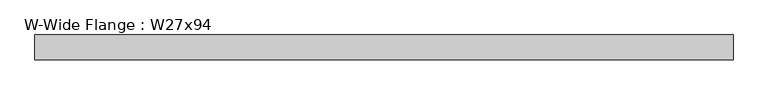
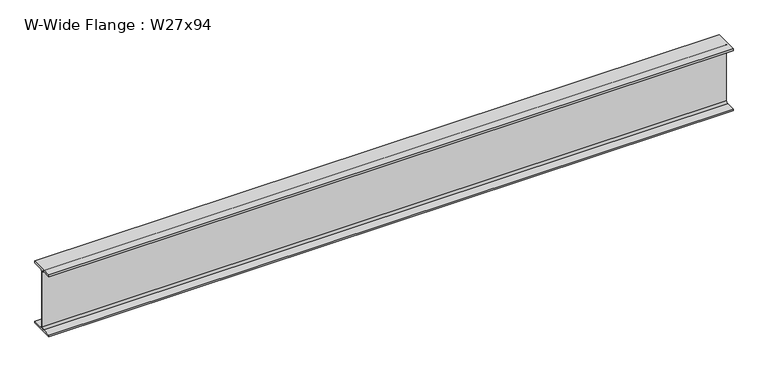
"""IFC4 building model written with IfcOpenShell, lengths in millimetres: beam geometry, W-Wide Flange : W27x94."""

import ifcopenshell
import ifcopenshell.guid

model = None  # the IFC model being written
_history = None  # IfcOwnerHistory: only IFC2X3 demands one
_inside = {}  # id of a spatial element -> (the spatial element, [elements in it])
_under = {}  # id of a project, library or spatial element -> (it, [spatial elements below it])
_declared = {}  # id of a project -> (the project, [libraries it declares])
_typed = {}  # id of a type object -> (the type object, [elements of that type])
_made_of = {}  # id of a material, layer set ... -> (it, [elements and type objects made of it])


def new_model(schema):
    """Start an empty IFC model of exactly this schema.

    Asked for "IFC4X3", IfcOpenShell would pick the latest addendum, in which some entities
    have other attributes; the version numbers below select the first issue.
    IFC2X3 requires an IfcOwnerHistory on every rooted entity: one is made here for all.
    """
    global model, _history
    if schema == "IFC4X3":
        model = ifcopenshell.file(schema_version=(4, 3, 0, 0))
    else:
        model = ifcopenshell.file(schema=schema)
    _inside.clear()
    _under.clear()
    _declared.clear()
    _typed.clear()
    _made_of.clear()
    _history = None
    if model.schema == "IFC2X3":
        org = make("IfcOrganization", Name="unknown")
        user = make(
            "IfcPersonAndOrganization",
            ThePerson=make("IfcPerson", FamilyName="unknown"),
            TheOrganization=org,
        )
        app = make(
            "IfcApplication",
            ApplicationDeveloper=org,
            Version="unknown",
            ApplicationFullName="unknown",
            ApplicationIdentifier="unknown",
        )
        _history = make(
            "IfcOwnerHistory",
            OwningUser=user,
            OwningApplication=app,
            ChangeAction="ADDED",
            CreationDate=0,
        )
    return model


def make(cls, **values):
    """One entity of the class cls with the attributes given. An attribute that is None is left unset."""
    return model.create_entity(
        cls, **{name: value for name, value in values.items() if value is not None}
    )


def rooted(cls, **values):
    """An entity with a GlobalId (a new one), such as an element, a storey or a relation."""
    return make(cls, GlobalId=ifcopenshell.guid.new(), OwnerHistory=_history, **values)


def si_unit(unit_type, name, prefix=None):
    """IfcSIUnit, for example si_unit("LENGTHUNIT", "METRE", prefix="MILLI")."""
    return make("IfcSIUnit", UnitType=unit_type, Prefix=prefix, Name=name)


def assignment(units):
    """IfcUnitAssignment: the units of a project."""
    return None if units is None else make("IfcUnitAssignment", Units=units)


def point(xyz):
    """IfcCartesianPoint."""
    return None if xyz is None else make("IfcCartesianPoint", Coordinates=xyz)


def direction(xyz):
    """IfcDirection."""
    return None if xyz is None else make("IfcDirection", DirectionRatios=xyz)


def frame(location, z_axis=None, x_axis=None):
    """IfcAxis2Placement3D, a coordinate frame: its origin and axes. An axis left out is left unset."""
    return make(
        "IfcAxis2Placement3D",
        Location=point(location),
        Axis=direction(z_axis),
        RefDirection=direction(x_axis),
    )


def frame_2d(location, x_axis=None):
    """IfcAxis2Placement2D, a coordinate frame in the plane: its origin and x axis."""
    return make(
        "IfcAxis2Placement2D", Location=point(location), RefDirection=direction(x_axis)
    )


def origin():
    """The frame at (0, 0, 0) with its axes left unset."""
    return frame((0.0, 0.0, 0.0))


def place(relative_to, where):
    """IfcLocalPlacement: puts the frame where relative to a parent placement (None: the world)."""
    return make(
        "IfcLocalPlacement", PlacementRelTo=relative_to, RelativePlacement=where
    )


def context(
    kind, dimensions, precision=None, world=None, true_north=None, identifier=None
):
    """IfcGeometricRepresentationContext, for example the 3D "Model" context."""
    return make(
        "IfcGeometricRepresentationContext",
        ContextIdentifier=identifier,
        ContextType=kind,
        CoordinateSpaceDimension=dimensions,
        Precision=precision,
        WorldCoordinateSystem=world,
        TrueNorth=true_north,
    )


def project(units=None, contexts=None):
    """IfcProject with its units and contexts."""
    return rooted(
        "IfcProject",
        Name="project",
        RepresentationContexts=contexts,
        UnitsInContext=assignment(units),
    )


def spatial(cls, under=None, at=None, **own):
    """A site, building, storey or space (cls), placed at a placement, below another one or the project."""
    s = rooted(cls, ObjectPlacement=at, **own)
    if under is not None:
        _under.setdefault(under.id(), (under, []))[1].append(s)
    return s


def polyline(points):
    """IfcPolyline through the points."""
    return make("IfcPolyline", Points=[point(p) for p in points])


def circle_curve(where, radius):
    """IfcCircle in the frame where."""
    return make("IfcCircle", Position=where, Radius=radius)


def trimmed(basis, trim1, trim2, sense, master):
    """IfcTrimmedCurve: the piece of a basis curve between two trims."""
    return make(
        "IfcTrimmedCurve",
        BasisCurve=basis,
        Trim1=trim1,
        Trim2=trim2,
        SenseAgreement=sense,
        MasterRepresentation=master,
    )


def segment(curve, same_sense, transition):
    """IfcCompositeCurveSegment."""
    return make(
        "IfcCompositeCurveSegment",
        Transition=transition,
        SameSense=same_sense,
        ParentCurve=curve,
    )


def composite_curve(segments, self_intersect=None):
    """IfcCompositeCurve: segments joined end to end."""
    return make("IfcCompositeCurve", Segments=segments, SelfIntersect=self_intersect)


def outline(outer, holes=None, kind="AREA"):
    """IfcArbitraryClosedProfileDef: a profile drawn as a closed curve; with holes, ...WithVoids."""
    if holes is None:
        return make("IfcArbitraryClosedProfileDef", ProfileType=kind, OuterCurve=outer)
    return make(
        "IfcArbitraryProfileDefWithVoids",
        ProfileType=kind,
        OuterCurve=outer,
        InnerCurves=holes,
    )


def extrude(swept, where, along, depth):
    """IfcExtrudedAreaSolid: the profile swept, set in the frame where, extruded along a direction by depth."""
    return make(
        "IfcExtrudedAreaSolid",
        SweptArea=swept,
        Position=where,
        ExtrudedDirection=direction(along),
        Depth=depth,
    )


def shape(context_of_items, identifier, shape_type, items):
    """IfcShapeRepresentation: the items that make up one representation, for example the "Body"."""
    return make(
        "IfcShapeRepresentation",
        ContextOfItems=context_of_items,
        RepresentationIdentifier=identifier,
        RepresentationType=shape_type,
        Items=items,
    )


def source(mapping_origin, context_of_items, identifier, shape_type, items):
    """IfcRepresentationMap: a shape defined once, which mapped items show again and again."""
    return make(
        "IfcRepresentationMap",
        MappingOrigin=mapping_origin,
        MappedRepresentation=shape(context_of_items, identifier, shape_type, items),
    )


def transform(
    local_origin,
    x_axis=None,
    y_axis=None,
    z_axis=None,
    scale=None,
    scale2=None,
    scale3=None,
    uniform=True,
):
    """IfcCartesianTransformationOperator3D, or its non-uniform kind. x_axis, y_axis, z_axis: its Axis1, 2, 3."""
    if uniform:
        return make(
            "IfcCartesianTransformationOperator3D",
            Axis1=direction(x_axis),
            Axis2=direction(y_axis),
            LocalOrigin=point(local_origin),
            Scale=scale,
            Axis3=direction(z_axis),
        )
    return make(
        "IfcCartesianTransformationOperator3DnonUniform",
        Axis1=direction(x_axis),
        Axis2=direction(y_axis),
        LocalOrigin=point(local_origin),
        Scale=scale,
        Axis3=direction(z_axis),
        Scale2=scale2,
        Scale3=scale3,
    )


def mapped(mapping_source, mapping_target):
    """IfcMappedItem: shows the shape of a source again, moved by a transform."""
    return make(
        "IfcMappedItem", MappingSource=mapping_source, MappingTarget=mapping_target
    )


def made_of(thing, what):
    """Note that an element or type object is made of a material, layer set ...; save() writes the relation."""
    if what is not None:
        _made_of.setdefault(what.id(), (what, []))[1].append(thing)
    return thing


def element(
    cls,
    number,
    at=None,
    inside=None,
    cuts=None,
    type_object=None,
    material=None,
    context=None,
    identifier="Body",
    shape_type=None,
    held_by="IfcProductDefinitionShape",
    body=None,
    shapes=None,
    **own,
):
    """One element of the class cls, such as IfcWall. Its Tag is "e" and its number.

    at: its placement. inside: the storey or other place that contains it. cuts: it is an
    opening in that element (IfcRelVoidsElement). A single representation is given by context,
    identifier, shape_type and body (its items); several are given by shapes. held_by: the class
    of the entity that holds the representations. save() writes the other relations.
    """
    e = rooted(cls, Tag="e%d" % number, ObjectPlacement=at, **own)
    if body is not None:
        shapes = [shape(context, identifier, shape_type, body)]
    if shapes is not None:
        e.Representation = make(held_by, Representations=shapes)
    if inside is not None:
        _inside.setdefault(inside.id(), (inside, []))[1].append(e)
    if cuts is not None:
        rooted(
            "IfcRelVoidsElement", RelatingBuildingElement=cuts, RelatedOpeningElement=e
        )
    if type_object is not None:
        _typed.setdefault(type_object.id(), (type_object, []))[1].append(e)
    return made_of(e, material)


def aggregate(whole, parts):
    """IfcRelAggregates: a whole, such as a stair, and the parts it consists of."""
    return rooted("IfcRelAggregates", RelatingObject=whole, RelatedObjects=parts)


def save(model, path):
    """Write the relations noted so far, then the file.

    IfcRelAggregates (storeys below a building ...), IfcRelContainedInSpatialStructure (elements
    in a storey), IfcRelDefinesByType, IfcRelAssociatesMaterial and IfcRelDeclares: one each for
    every whole, place, type object, material and project.
    """
    for whole, parts in _under.values():
        aggregate(whole, parts)
    for where, things in _inside.values():
        rooted(
            "IfcRelContainedInSpatialStructure",
            RelatedElements=things,
            RelatingStructure=where,
        )
    for kind, things in _typed.values():
        rooted("IfcRelDefinesByType", RelatedObjects=things, RelatingType=kind)
    for what, things in _made_of.values():
        rooted("IfcRelAssociatesMaterial", RelatedObjects=things, RelatingMaterial=what)
    for by, libraries in _declared.values():
        rooted("IfcRelDeclares", RelatingContext=by, RelatedDefinitions=libraries)
    model.write(path)


def w_wide_flange_w27x94_57fd1e67(model_context):
    return source(origin(), model_context, "Body", "SweptSolid", [
        extrude(outline(composite_curve([segment(polyline([(127.0, -322.707), (127.0, -341.63), (-127.0, -341.63), (-127.0, -322.707), (-28.575, -322.707)]), True, "CONTINUOUS"), segment(trimmed(circle_curve(frame_2d((-28.575, -300.355)), 22.352), [point((-28.575, -322.707))], [point((-6.223, -300.355))], True, "CARTESIAN"), True, "CONTINUOUS"), segment(polyline([(-6.223, -300.355), (-6.223, 300.355)]), True, "CONTINUOUS"), segment(trimmed(circle_curve(frame_2d((-28.575, 300.355)), 22.352), [point((-6.223, 300.355))], [point((-28.575, 322.707))], True, "CARTESIAN"), True, "CONTINUOUS"), segment(polyline([(-28.575, 322.707), (-127.0, 322.707), (-127.0, 341.63), (127.0, 341.63), (127.0, 322.707), (28.575, 322.707)]), True, "CONTINUOUS"), segment(trimmed(circle_curve(frame_2d((28.575, 300.355)), 22.352), [point((28.575, 322.707))], [point((6.223, 300.355))], True, "CARTESIAN"), True, "CONTINUOUS"), segment(polyline([(6.223, 300.355), (6.223, -300.355)]), True, "CONTINUOUS"), segment(trimmed(circle_curve(frame_2d((28.575, -300.355)), 22.352), [point((6.223, -300.355))], [point((28.575, -322.707))], True, "CARTESIAN"), True, "CONTINUOUS"), segment(polyline([(28.575, -322.707), (127.0, -322.707)]), True, "CONTINUOUS")], self_intersect=False)), frame((-3488.69, 0.0, 0.0), z_axis=(1.0, 0.0, 0.0), x_axis=(0.0, 1.0, 0.0)), (0.0, 0.0, 1.0), 7128.129),
    ])


if __name__ == "__main__":
    model = new_model("IFC4")
    model_context = context("Model", 3, world=origin())
    ifc_project = project(units=[si_unit("LENGTHUNIT", "METRE", prefix="MILLI")], contexts=[model_context])
    site = spatial("IfcSite", under=ifc_project)
    building = spatial("IfcBuilding", under=site)
    placement = place(None, origin())
    w_wide_flange_w27x94_shape = w_wide_flange_w27x94_57fd1e67(model_context)
    element("IfcBeam", 1, ObjectType="W-Wide Flange : W27x94", at=placement, inside=building, context=model_context, shape_type="MappedRepresentation", body=[
        mapped(w_wide_flange_w27x94_shape, transform((0.0, 0.0, 0.0), x_axis=(1.0, 0.0, 0.0), y_axis=(0.0, 1.0, 0.0), z_axis=(0.0, 0.0, 1.0))),
    ])
    save(model, "model.ifc")
